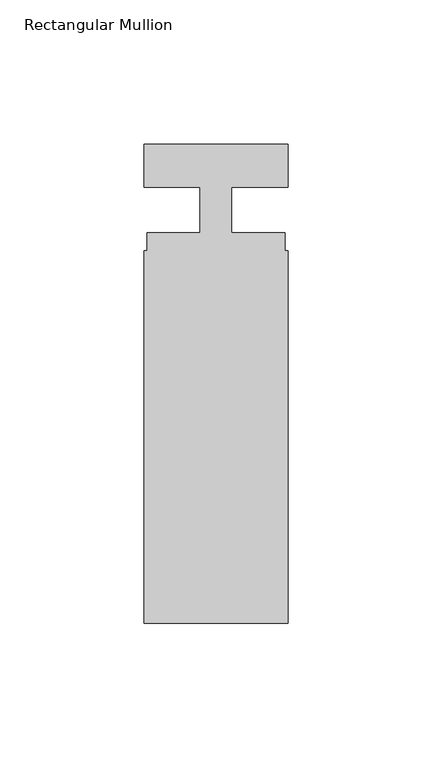
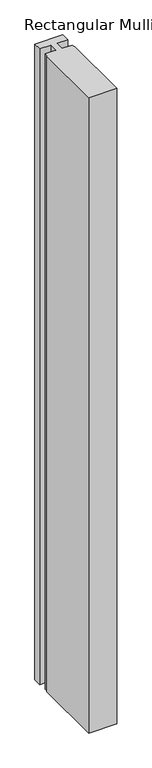
"""IFC4 building model written with IfcOpenShell, lengths in millimetres: member geometry, Rectangular Mullion."""

import ifcopenshell
import ifcopenshell.guid

model = None  # the IFC model being written
_history = None  # IfcOwnerHistory: only IFC2X3 demands one
_inside = {}  # id of a spatial element -> (the spatial element, [elements in it])
_under = {}  # id of a project, library or spatial element -> (it, [spatial elements below it])
_declared = {}  # id of a project -> (the project, [libraries it declares])
_typed = {}  # id of a type object -> (the type object, [elements of that type])
_made_of = {}  # id of a material, layer set ... -> (it, [elements and type objects made of it])


def new_model(schema):
    """Start an empty IFC model of exactly this schema.

    Asked for "IFC4X3", IfcOpenShell would pick the latest addendum, in which some entities
    have other attributes; the version numbers below select the first issue.
    IFC2X3 requires an IfcOwnerHistory on every rooted entity: one is made here for all.
    """
    global model, _history
    if schema == "IFC4X3":
        model = ifcopenshell.file(schema_version=(4, 3, 0, 0))
    else:
        model = ifcopenshell.file(schema=schema)
    _inside.clear()
    _under.clear()
    _declared.clear()
    _typed.clear()
    _made_of.clear()
    _history = None
    if model.schema == "IFC2X3":
        org = make("IfcOrganization", Name="unknown")
        user = make(
            "IfcPersonAndOrganization",
            ThePerson=make("IfcPerson", FamilyName="unknown"),
            TheOrganization=org,
        )
        app = make(
            "IfcApplication",
            ApplicationDeveloper=org,
            Version="unknown",
            ApplicationFullName="unknown",
            ApplicationIdentifier="unknown",
        )
        _history = make(
            "IfcOwnerHistory",
            OwningUser=user,
            OwningApplication=app,
            ChangeAction="ADDED",
            CreationDate=0,
        )
    return model


def make(cls, **values):
    """One entity of the class cls with the attributes given. An attribute that is None is left unset."""
    return model.create_entity(
        cls, **{name: value for name, value in values.items() if value is not None}
    )


def rooted(cls, **values):
    """An entity with a GlobalId (a new one), such as an element, a storey or a relation."""
    return make(cls, GlobalId=ifcopenshell.guid.new(), OwnerHistory=_history, **values)


def si_unit(unit_type, name, prefix=None):
    """IfcSIUnit, for example si_unit("LENGTHUNIT", "METRE", prefix="MILLI")."""
    return make("IfcSIUnit", UnitType=unit_type, Prefix=prefix, Name=name)


def assignment(units):
    """IfcUnitAssignment: the units of a project."""
    return None if units is None else make("IfcUnitAssignment", Units=units)


def point(xyz):
    """IfcCartesianPoint."""
    return None if xyz is None else make("IfcCartesianPoint", Coordinates=xyz)


def direction(xyz):
    """IfcDirection."""
    return None if xyz is None else make("IfcDirection", DirectionRatios=xyz)


def frame(location, z_axis=None, x_axis=None):
    """IfcAxis2Placement3D, a coordinate frame: its origin and axes. An axis left out is left unset."""
    return make(
        "IfcAxis2Placement3D",
        Location=point(location),
        Axis=direction(z_axis),
        RefDirection=direction(x_axis),
    )


def origin():
    """The frame at (0, 0, 0) with its axes left unset."""
    return frame((0.0, 0.0, 0.0))


def place(relative_to, where):
    """IfcLocalPlacement: puts the frame where relative to a parent placement (None: the world)."""
    return make(
        "IfcLocalPlacement", PlacementRelTo=relative_to, RelativePlacement=where
    )


def context(
    kind, dimensions, precision=None, world=None, true_north=None, identifier=None
):
    """IfcGeometricRepresentationContext, for example the 3D "Model" context."""
    return make(
        "IfcGeometricRepresentationContext",
        ContextIdentifier=identifier,
        ContextType=kind,
        CoordinateSpaceDimension=dimensions,
        Precision=precision,
        WorldCoordinateSystem=world,
        TrueNorth=true_north,
    )


def project(units=None, contexts=None):
    """IfcProject with its units and contexts."""
    return rooted(
        "IfcProject",
        Name="project",
        RepresentationContexts=contexts,
        UnitsInContext=assignment(units),
    )


def spatial(cls, under=None, at=None, **own):
    """A site, building, storey or space (cls), placed at a placement, below another one or the project."""
    s = rooted(cls, ObjectPlacement=at, **own)
    if under is not None:
        _under.setdefault(under.id(), (under, []))[1].append(s)
    return s


def polyline(points):
    """IfcPolyline through the points."""
    return make("IfcPolyline", Points=[point(p) for p in points])


def outline(outer, holes=None, kind="AREA"):
    """IfcArbitraryClosedProfileDef: a profile drawn as a closed curve; with holes, ...WithVoids."""
    if holes is None:
        return make("IfcArbitraryClosedProfileDef", ProfileType=kind, OuterCurve=outer)
    return make(
        "IfcArbitraryProfileDefWithVoids",
        ProfileType=kind,
        OuterCurve=outer,
        InnerCurves=holes,
    )


def extrude(swept, where, along, depth):
    """IfcExtrudedAreaSolid: the profile swept, set in the frame where, extruded along a direction by depth."""
    return make(
        "IfcExtrudedAreaSolid",
        SweptArea=swept,
        Position=where,
        ExtrudedDirection=direction(along),
        Depth=depth,
    )


def shape(context_of_items, identifier, shape_type, items):
    """IfcShapeRepresentation: the items that make up one representation, for example the "Body"."""
    return make(
        "IfcShapeRepresentation",
        ContextOfItems=context_of_items,
        RepresentationIdentifier=identifier,
        RepresentationType=shape_type,
        Items=items,
    )


def source(mapping_origin, context_of_items, identifier, shape_type, items):
    """IfcRepresentationMap: a shape defined once, which mapped items show again and again."""
    return make(
        "IfcRepresentationMap",
        MappingOrigin=mapping_origin,
        MappedRepresentation=shape(context_of_items, identifier, shape_type, items),
    )


def transform(
    local_origin,
    x_axis=None,
    y_axis=None,
    z_axis=None,
    scale=None,
    scale2=None,
    scale3=None,
    uniform=True,
):
    """IfcCartesianTransformationOperator3D, or its non-uniform kind. x_axis, y_axis, z_axis: its Axis1, 2, 3."""
    if uniform:
        return make(
            "IfcCartesianTransformationOperator3D",
            Axis1=direction(x_axis),
            Axis2=direction(y_axis),
            LocalOrigin=point(local_origin),
            Scale=scale,
            Axis3=direction(z_axis),
        )
    return make(
        "IfcCartesianTransformationOperator3DnonUniform",
        Axis1=direction(x_axis),
        Axis2=direction(y_axis),
        LocalOrigin=point(local_origin),
        Scale=scale,
        Axis3=direction(z_axis),
        Scale2=scale2,
        Scale3=scale3,
    )


def mapped(mapping_source, mapping_target):
    """IfcMappedItem: shows the shape of a source again, moved by a transform."""
    return make(
        "IfcMappedItem", MappingSource=mapping_source, MappingTarget=mapping_target
    )


def made_of(thing, what):
    """Note that an element or type object is made of a material, layer set ...; save() writes the relation."""
    if what is not None:
        _made_of.setdefault(what.id(), (what, []))[1].append(thing)
    return thing


def element(
    cls,
    number,
    at=None,
    inside=None,
    cuts=None,
    type_object=None,
    material=None,
    context=None,
    identifier="Body",
    shape_type=None,
    held_by="IfcProductDefinitionShape",
    body=None,
    shapes=None,
    **own,
):
    """One element of the class cls, such as IfcWall. Its Tag is "e" and its number.

    at: its placement. inside: the storey or other place that contains it. cuts: it is an
    opening in that element (IfcRelVoidsElement). A single representation is given by context,
    identifier, shape_type and body (its items); several are given by shapes. held_by: the class
    of the entity that holds the representations. save() writes the other relations.
    """
    e = rooted(cls, Tag="e%d" % number, ObjectPlacement=at, **own)
    if body is not None:
        shapes = [shape(context, identifier, shape_type, body)]
    if shapes is not None:
        e.Representation = make(held_by, Representations=shapes)
    if inside is not None:
        _inside.setdefault(inside.id(), (inside, []))[1].append(e)
    if cuts is not None:
        rooted(
            "IfcRelVoidsElement", RelatingBuildingElement=cuts, RelatedOpeningElement=e
        )
    if type_object is not None:
        _typed.setdefault(type_object.id(), (type_object, []))[1].append(e)
    return made_of(e, material)


def aggregate(whole, parts):
    """IfcRelAggregates: a whole, such as a stair, and the parts it consists of."""
    return rooted("IfcRelAggregates", RelatingObject=whole, RelatedObjects=parts)


def save(model, path):
    """Write the relations noted so far, then the file.

    IfcRelAggregates (storeys below a building ...), IfcRelContainedInSpatialStructure (elements
    in a storey), IfcRelDefinesByType, IfcRelAssociatesMaterial and IfcRelDeclares: one each for
    every whole, place, type object, material and project.
    """
    for whole, parts in _under.values():
        aggregate(whole, parts)
    for where, things in _inside.values():
        rooted(
            "IfcRelContainedInSpatialStructure",
            RelatedElements=things,
            RelatingStructure=where,
        )
    for kind, things in _typed.values():
        rooted("IfcRelDefinesByType", RelatedObjects=things, RelatingType=kind)
    for what, things in _made_of.values():
        rooted("IfcRelAssociatesMaterial", RelatedObjects=things, RelatingMaterial=what)
    for by, libraries in _declared.values():
        rooted("IfcRelDeclares", RelatingContext=by, RelatedDefinitions=libraries)
    model.write(path)


def rectangular_mullion_b13b21ef(model_context):
    return source(origin(), model_context, "Body", "SweptSolid", [
        extrude(outline(polyline([(25.0, -140.3), (-25.0, -140.3), (-25.0, -11.0), (-23.9, -11.0), (-23.9, -4.8), (-5.4999998, -4.8), (-5.4999998, 11.0), (-25.0, 11.0), (-25.0, 26.0), (25.0, 26.0), (25.0, 11.0), (5.5, 11.0), (5.5, -4.8), (23.9, -4.8), (23.9, -11.0), (25.0, -11.0), (25.0, -140.3)])), frame((0.0, 0.0, -1200.0), z_axis=(0.0, 0.0, 1.0), x_axis=(1.0, 0.0, 0.0)), (0.0, 0.0, 1.0), 1200.0),
    ])


if __name__ == "__main__":
    model = new_model("IFC4")
    model_context = context("Model", 3, world=origin())
    ifc_project = project(units=[si_unit("LENGTHUNIT", "METRE", prefix="MILLI")], contexts=[model_context])
    site = spatial("IfcSite", under=ifc_project)
    building = spatial("IfcBuilding", under=site)
    placement = place(None, origin())
    rectangular_mullion_shape = rectangular_mullion_b13b21ef(model_context)
    element("IfcMember", 1, ObjectType="Rectangular Mullion", at=placement, inside=building, context=model_context, shape_type="MappedRepresentation", body=[
        mapped(rectangular_mullion_shape, transform((0.0, 0.0, 0.0), x_axis=(1.0, 0.0, 0.0), y_axis=(0.0, 1.0, 0.0), z_axis=(0.0, 0.0, 1.0))),
    ])
    save(model, "model.ifc")
